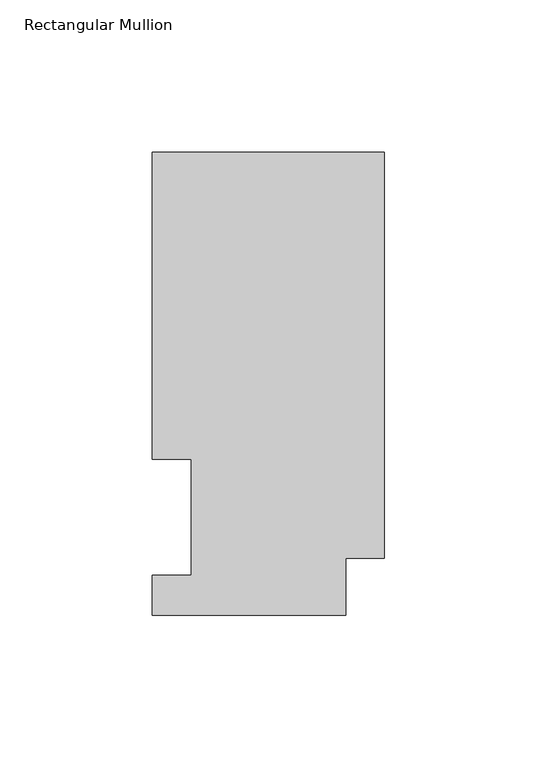
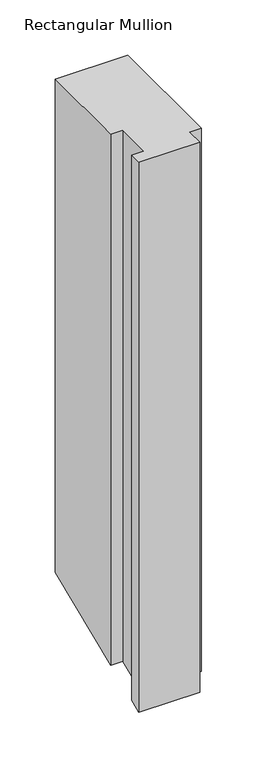
"""IFC4 building model written with IfcOpenShell, lengths in millimetres: member geometry, Rectangular Mullion."""

from ifc_helpers import new_model, si_unit, origin, place, context, project, spatial, faceted_brep, source, transform, mapped, element, save


def rectangular_mullion_41a462ac(model_context):
    return source(origin(), model_context, "Body", "Brep", [
        faceted_brep([(0.0, 151.9816938, 0.0), (-76.2, 151.9816937, 0.0), (-76.2, 51.2960937, 0.0), (-63.5, 51.2960937, 0.0), (-63.5, 13.1960937, 0.0), (-76.2, 13.1960937, 0.0), (-76.2, 0.0134937, 0.0), (-12.7, 0.0134937, 0.0), (-12.7, 18.7332938, 0.0), (0.0, 18.7332938, 0.0), (0.0, 151.9816938, -546.6471212), (-76.2, 151.9816937, -546.6471212), (-76.2, 51.2960937, -588.3524623), (-63.5, 51.2960937, -588.3524623), (-63.5, 13.1960937, -604.133999), (-76.2, 13.1960937, -604.133999), (-76.2, 0.0134937, -609.5944107), (-12.7, 0.0134937, -609.5944107), (-12.7, 18.7332938, -601.8404157), (0.0, 18.7332938, -601.8404157)], [[[0, 1, 2, 3, 4, 5, 6, 7, 8, 9]], [[1, 0, 10, 11]], [[2, 1, 11, 12]], [[3, 2, 12, 13]], [[4, 3, 13, 14]], [[5, 4, 14, 15]], [[6, 5, 15, 16]], [[7, 6, 16, 17]], [[8, 7, 17, 18]], [[9, 8, 18, 19]], [[0, 9, 19, 10]], [[10, 19, 18, 17, 16, 15, 14, 13, 12, 11]]]),
    ])


if __name__ == "__main__":
    model = new_model("IFC4")
    model_context = context("Model", 3, world=origin())
    ifc_project = project(units=[si_unit("LENGTHUNIT", "METRE", prefix="MILLI")], contexts=[model_context])
    site = spatial("IfcSite", under=ifc_project)
    building = spatial("IfcBuilding", under=site)
    placement = place(None, origin())
    rectangular_mullion_shape = rectangular_mullion_41a462ac(model_context)
    element("IfcMember", 1, ObjectType="Rectangular Mullion", at=placement, inside=building, context=model_context, shape_type="MappedRepresentation", body=[
        mapped(rectangular_mullion_shape, transform((0.0, 0.0, 0.0), x_axis=(1.0, 0.0, 0.0), y_axis=(0.0, 1.0, 0.0), z_axis=(0.0, 0.0, 1.0))),
    ])
    save(model, "model.ifc")
